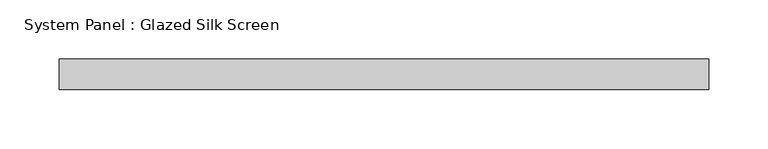
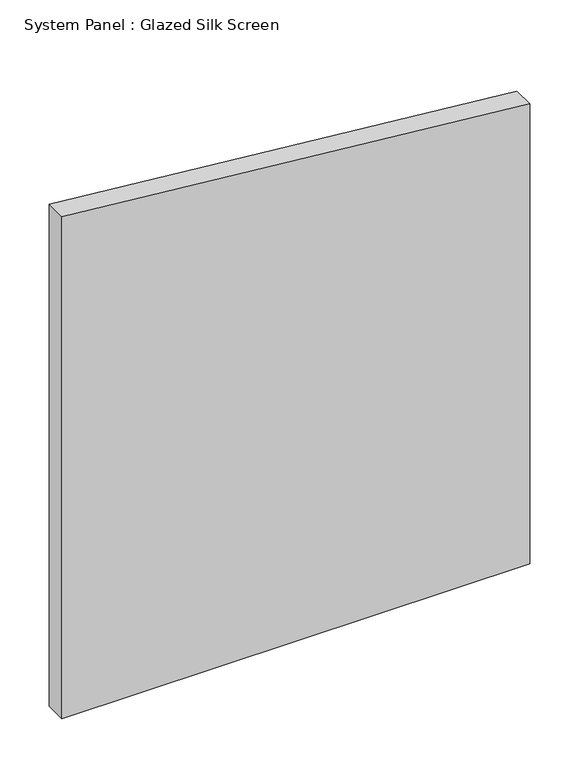
"""IFC4 building model written with IfcOpenShell, lengths in millimetres: plate geometry, System Panel : Glazed Silk Screen."""

from ifc_helpers import new_model, si_unit, frame, origin, place, context, project, spatial, polyline, outline, extrude, source, transform, mapped, element, save


def system_panel_glazed_silk_screen_d21f77e8(model_context):
    return source(origin(), model_context, "Body", "SweptSolid", [
        extrude(outline(polyline([(0.0, -273.05), (0.0, 273.05), (567.8507724, 273.05), (619.7388161, -273.05), (0.0, -273.05)])), frame((0.0, 19.05, 0.0), z_axis=(0.0, 1.0, 0.0), x_axis=(0.0, 0.0, 1.0)), (0.0, 0.0, 1.0), 25.4),
    ])


if __name__ == "__main__":
    model = new_model("IFC4")
    model_context = context("Model", 3, world=origin())
    ifc_project = project(units=[si_unit("LENGTHUNIT", "METRE", prefix="MILLI")], contexts=[model_context])
    site = spatial("IfcSite", under=ifc_project)
    building = spatial("IfcBuilding", under=site)
    placement = place(None, origin())
    system_panel_glazed_silk_screen_shape = system_panel_glazed_silk_screen_d21f77e8(model_context)
    element("IfcPlate", 1, ObjectType="System Panel : Glazed Silk Screen", at=placement, inside=building, context=model_context, shape_type="MappedRepresentation", body=[
        mapped(system_panel_glazed_silk_screen_shape, transform((0.0, 0.0, 0.0), x_axis=(1.0, 0.0, 0.0), y_axis=(0.0, 1.0, 0.0), z_axis=(0.0, 0.0, 1.0))),
    ])
    save(model, "model.ifc")
